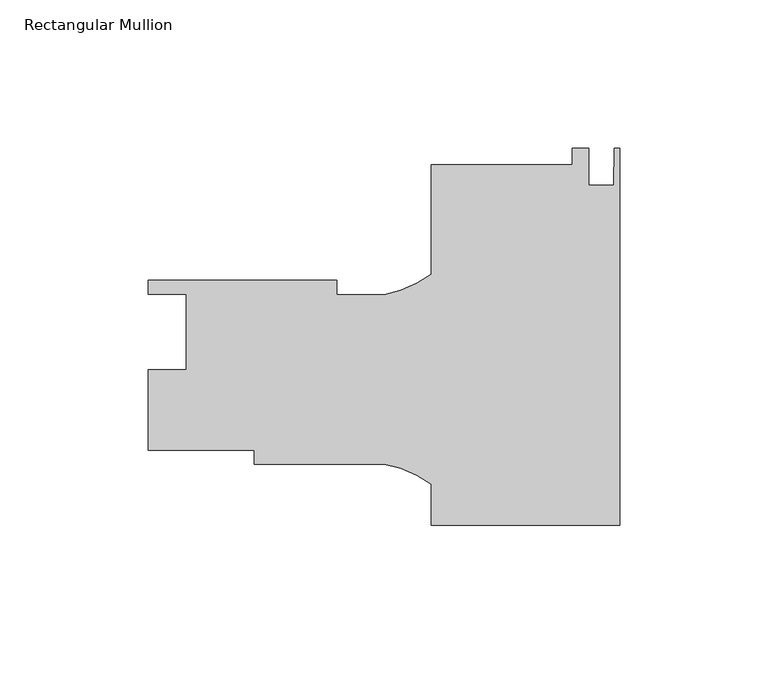
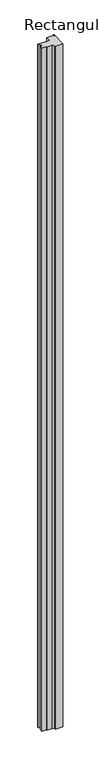
"""IFC4 building model written with IfcOpenShell, lengths in millimetres: member geometry, Rectangular Mullion."""

from ifc_helpers import new_model, si_unit, point, frame, frame_2d, origin, place, context, project, spatial, polyline, circle_curve, trimmed, segment, composite_curve, outline, extrude, source, transform, mapped, element, save


def rectangular_mullion_663c7ad3(model_context):
    return source(origin(), model_context, "Body", "SweptSolid", [
        extrude(outline(composite_curve([segment(polyline([(0.0, -65.13425), (-63.5, -65.13425), (-63.5, -51.3511653)]), True, "CONTINUOUS"), segment(trimmed(circle_curve(frame_2d((-85.6843006, -80.8952024)), 36.945816), [point((-63.5, -51.3511653))], [point((-79.3172861, -44.5021475))], True, "CARTESIAN"), True, "CONTINUOUS"), segment(polyline([(-79.3172861, -44.5021475), (-123.1500517, -44.5021475), (-123.1500517, -39.7396475), (-158.75, -39.7396475), (-158.75, -12.6886475), (-146.05, -12.6886475), (-146.05, 12.7113525), (-158.75, 12.7113525), (-158.75, 17.4103525), (-95.25, 17.4103525), (-95.25, 12.6478525), (-79.3187366, 12.6478525)]), True, "CONTINUOUS"), segment(trimmed(circle_curve(frame_2d((-85.6843006, 49.0411612)), 36.945816), [point((-79.3187366, 12.6478525))], [point((-63.5, 19.4971241))], True, "CARTESIAN"), True, "CONTINUOUS"), segment(polyline([(-63.5, 19.4971241), (-63.5, 56.30315), (-15.875, 56.30315), (-15.875, 61.8792618), (-10.3124, 61.8792618), (-10.3124, 49.52135), (-2.032, 49.52135), (-1.778, 61.86575), (0.0, 61.86575), (0.0, -65.13425)]), True, "CONTINUOUS")], self_intersect=False)), frame((0.0, 0.0, -6000.75), z_axis=(0.0, 0.0, 1.0), x_axis=(1.0, 0.0, 0.0)), (0.0, 0.0, 1.0), 6000.75),
    ])


if __name__ == "__main__":
    model = new_model("IFC4")
    model_context = context("Model", 3, world=origin())
    ifc_project = project(units=[si_unit("LENGTHUNIT", "METRE", prefix="MILLI")], contexts=[model_context])
    site = spatial("IfcSite", under=ifc_project)
    building = spatial("IfcBuilding", under=site)
    placement = place(None, origin())
    rectangular_mullion_shape = rectangular_mullion_663c7ad3(model_context)
    element("IfcMember", 1, ObjectType="Rectangular Mullion", at=placement, inside=building, context=model_context, shape_type="MappedRepresentation", body=[
        mapped(rectangular_mullion_shape, transform((0.0, 0.0, 0.0), x_axis=(1.0, 0.0, 0.0), y_axis=(0.0, 1.0, 0.0), z_axis=(0.0, 0.0, 1.0))),
    ])
    save(model, "model.ifc")
